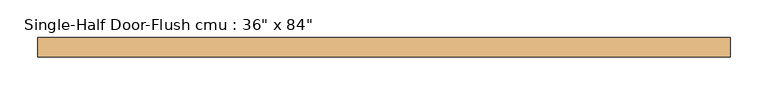
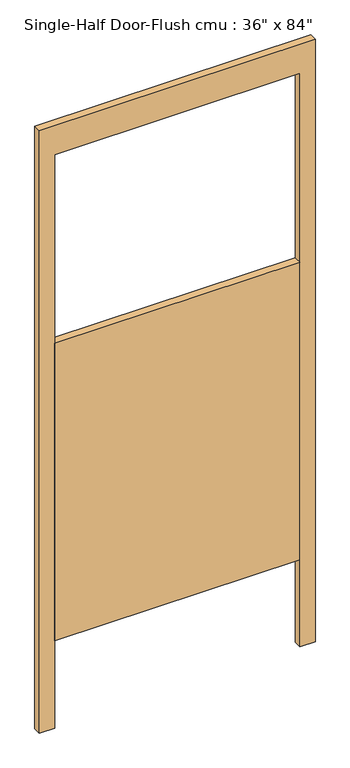
"""IFC4 building model written with IfcOpenShell, lengths in millimetres: door geometry."""

from ifc_helpers import new_model, si_unit, frame, origin, place, context, project, spatial, polyline, outline, extrude, source, transform, mapped, element, save


def door_e55857c8(model_context):
    return source(origin(), model_context, "Body", "SweptSolid", [
        extrude(outline(polyline([(2108.2, 457.2), (2108.2, -457.2), (0.0, -457.2), (0.0, -406.4), (2006.6, -406.4), (2006.6, 406.4), (0.0, 406.4), (0.0, 457.2), (2108.2, 457.2)])), frame((0.0, -11.1125, 0.0), z_axis=(0.0, 1.0, 0.0), x_axis=(0.0, 0.0, 1.0)), (0.0, 0.0, 1.0), 25.4),
        extrude(outline(polyline([(406.4, -11.1125), (-406.4, -11.1125), (-406.4, 14.2875), (406.4, 14.2875), (406.4, -11.1125)])), frame((0.0, 0.0, 304.8), z_axis=(0.0, 0.0, 1.0), x_axis=(1.0, 0.0, 0.0)), (0.0, 0.0, 1.0), 1041.4),
    ])


if __name__ == "__main__":
    model = new_model("IFC4")
    model_context = context("Model", 3, world=origin())
    ifc_project = project(units=[si_unit("LENGTHUNIT", "METRE", prefix="MILLI")], contexts=[model_context])
    site = spatial("IfcSite", under=ifc_project)
    building = spatial("IfcBuilding", under=site)
    placement = place(None, origin())
    door_shape = door_e55857c8(model_context)
    element("IfcDoor", 1, ObjectType="Single-Half Door-Flush cmu : 36\" x 84\"", at=placement, inside=building, context=model_context, shape_type="MappedRepresentation", body=[
        mapped(door_shape, transform((0.0, 0.0, 0.0), x_axis=(1.0, 0.0, 0.0), y_axis=(0.0, 1.0, 0.0), z_axis=(0.0, 0.0, 1.0))),
    ])
    save(model, "model.ifc")
